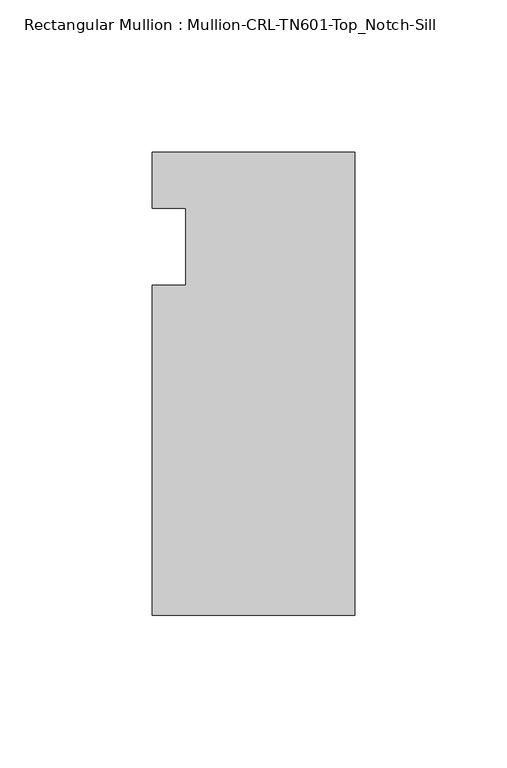
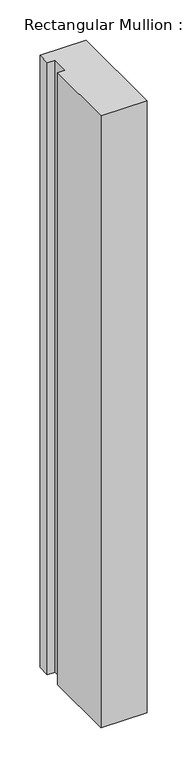
"""IFC4 building model written with IfcOpenShell, lengths in millimetres: member geometry, Rectangular Mullion : Mullion-CRL-TN601-Top_Notch-Sill."""

import ifcopenshell
import ifcopenshell.guid

model = None  # the IFC model being written
_history = None  # IfcOwnerHistory: only IFC2X3 demands one
_inside = {}  # id of a spatial element -> (the spatial element, [elements in it])
_under = {}  # id of a project, library or spatial element -> (it, [spatial elements below it])
_declared = {}  # id of a project -> (the project, [libraries it declares])
_typed = {}  # id of a type object -> (the type object, [elements of that type])
_made_of = {}  # id of a material, layer set ... -> (it, [elements and type objects made of it])


def new_model(schema):
    """Start an empty IFC model of exactly this schema.

    Asked for "IFC4X3", IfcOpenShell would pick the latest addendum, in which some entities
    have other attributes; the version numbers below select the first issue.
    IFC2X3 requires an IfcOwnerHistory on every rooted entity: one is made here for all.
    """
    global model, _history
    if schema == "IFC4X3":
        model = ifcopenshell.file(schema_version=(4, 3, 0, 0))
    else:
        model = ifcopenshell.file(schema=schema)
    _inside.clear()
    _under.clear()
    _declared.clear()
    _typed.clear()
    _made_of.clear()
    _history = None
    if model.schema == "IFC2X3":
        org = make("IfcOrganization", Name="unknown")
        user = make(
            "IfcPersonAndOrganization",
            ThePerson=make("IfcPerson", FamilyName="unknown"),
            TheOrganization=org,
        )
        app = make(
            "IfcApplication",
            ApplicationDeveloper=org,
            Version="unknown",
            ApplicationFullName="unknown",
            ApplicationIdentifier="unknown",
        )
        _history = make(
            "IfcOwnerHistory",
            OwningUser=user,
            OwningApplication=app,
            ChangeAction="ADDED",
            CreationDate=0,
        )
    return model


def make(cls, **values):
    """One entity of the class cls with the attributes given. An attribute that is None is left unset."""
    return model.create_entity(
        cls, **{name: value for name, value in values.items() if value is not None}
    )


def rooted(cls, **values):
    """An entity with a GlobalId (a new one), such as an element, a storey or a relation."""
    return make(cls, GlobalId=ifcopenshell.guid.new(), OwnerHistory=_history, **values)


def si_unit(unit_type, name, prefix=None):
    """IfcSIUnit, for example si_unit("LENGTHUNIT", "METRE", prefix="MILLI")."""
    return make("IfcSIUnit", UnitType=unit_type, Prefix=prefix, Name=name)


def assignment(units):
    """IfcUnitAssignment: the units of a project."""
    return None if units is None else make("IfcUnitAssignment", Units=units)


def point(xyz):
    """IfcCartesianPoint."""
    return None if xyz is None else make("IfcCartesianPoint", Coordinates=xyz)


def direction(xyz):
    """IfcDirection."""
    return None if xyz is None else make("IfcDirection", DirectionRatios=xyz)


def frame(location, z_axis=None, x_axis=None):
    """IfcAxis2Placement3D, a coordinate frame: its origin and axes. An axis left out is left unset."""
    return make(
        "IfcAxis2Placement3D",
        Location=point(location),
        Axis=direction(z_axis),
        RefDirection=direction(x_axis),
    )


def origin():
    """The frame at (0, 0, 0) with its axes left unset."""
    return frame((0.0, 0.0, 0.0))


def place(relative_to, where):
    """IfcLocalPlacement: puts the frame where relative to a parent placement (None: the world)."""
    return make(
        "IfcLocalPlacement", PlacementRelTo=relative_to, RelativePlacement=where
    )


def context(
    kind, dimensions, precision=None, world=None, true_north=None, identifier=None
):
    """IfcGeometricRepresentationContext, for example the 3D "Model" context."""
    return make(
        "IfcGeometricRepresentationContext",
        ContextIdentifier=identifier,
        ContextType=kind,
        CoordinateSpaceDimension=dimensions,
        Precision=precision,
        WorldCoordinateSystem=world,
        TrueNorth=true_north,
    )


def project(units=None, contexts=None):
    """IfcProject with its units and contexts."""
    return rooted(
        "IfcProject",
        Name="project",
        RepresentationContexts=contexts,
        UnitsInContext=assignment(units),
    )


def spatial(cls, under=None, at=None, **own):
    """A site, building, storey or space (cls), placed at a placement, below another one or the project."""
    s = rooted(cls, ObjectPlacement=at, **own)
    if under is not None:
        _under.setdefault(under.id(), (under, []))[1].append(s)
    return s


def polyline(points):
    """IfcPolyline through the points."""
    return make("IfcPolyline", Points=[point(p) for p in points])


def outline(outer, holes=None, kind="AREA"):
    """IfcArbitraryClosedProfileDef: a profile drawn as a closed curve; with holes, ...WithVoids."""
    if holes is None:
        return make("IfcArbitraryClosedProfileDef", ProfileType=kind, OuterCurve=outer)
    return make(
        "IfcArbitraryProfileDefWithVoids",
        ProfileType=kind,
        OuterCurve=outer,
        InnerCurves=holes,
    )


def extrude(swept, where, along, depth):
    """IfcExtrudedAreaSolid: the profile swept, set in the frame where, extruded along a direction by depth."""
    return make(
        "IfcExtrudedAreaSolid",
        SweptArea=swept,
        Position=where,
        ExtrudedDirection=direction(along),
        Depth=depth,
    )


def shape(context_of_items, identifier, shape_type, items):
    """IfcShapeRepresentation: the items that make up one representation, for example the "Body"."""
    return make(
        "IfcShapeRepresentation",
        ContextOfItems=context_of_items,
        RepresentationIdentifier=identifier,
        RepresentationType=shape_type,
        Items=items,
    )


def source(mapping_origin, context_of_items, identifier, shape_type, items):
    """IfcRepresentationMap: a shape defined once, which mapped items show again and again."""
    return make(
        "IfcRepresentationMap",
        MappingOrigin=mapping_origin,
        MappedRepresentation=shape(context_of_items, identifier, shape_type, items),
    )


def transform(
    local_origin,
    x_axis=None,
    y_axis=None,
    z_axis=None,
    scale=None,
    scale2=None,
    scale3=None,
    uniform=True,
):
    """IfcCartesianTransformationOperator3D, or its non-uniform kind. x_axis, y_axis, z_axis: its Axis1, 2, 3."""
    if uniform:
        return make(
            "IfcCartesianTransformationOperator3D",
            Axis1=direction(x_axis),
            Axis2=direction(y_axis),
            LocalOrigin=point(local_origin),
            Scale=scale,
            Axis3=direction(z_axis),
        )
    return make(
        "IfcCartesianTransformationOperator3DnonUniform",
        Axis1=direction(x_axis),
        Axis2=direction(y_axis),
        LocalOrigin=point(local_origin),
        Scale=scale,
        Axis3=direction(z_axis),
        Scale2=scale2,
        Scale3=scale3,
    )


def mapped(mapping_source, mapping_target):
    """IfcMappedItem: shows the shape of a source again, moved by a transform."""
    return make(
        "IfcMappedItem", MappingSource=mapping_source, MappingTarget=mapping_target
    )


def made_of(thing, what):
    """Note that an element or type object is made of a material, layer set ...; save() writes the relation."""
    if what is not None:
        _made_of.setdefault(what.id(), (what, []))[1].append(thing)
    return thing


def element(
    cls,
    number,
    at=None,
    inside=None,
    cuts=None,
    type_object=None,
    material=None,
    context=None,
    identifier="Body",
    shape_type=None,
    held_by="IfcProductDefinitionShape",
    body=None,
    shapes=None,
    **own,
):
    """One element of the class cls, such as IfcWall. Its Tag is "e" and its number.

    at: its placement. inside: the storey or other place that contains it. cuts: it is an
    opening in that element (IfcRelVoidsElement). A single representation is given by context,
    identifier, shape_type and body (its items); several are given by shapes. held_by: the class
    of the entity that holds the representations. save() writes the other relations.
    """
    e = rooted(cls, Tag="e%d" % number, ObjectPlacement=at, **own)
    if body is not None:
        shapes = [shape(context, identifier, shape_type, body)]
    if shapes is not None:
        e.Representation = make(held_by, Representations=shapes)
    if inside is not None:
        _inside.setdefault(inside.id(), (inside, []))[1].append(e)
    if cuts is not None:
        rooted(
            "IfcRelVoidsElement", RelatingBuildingElement=cuts, RelatedOpeningElement=e
        )
    if type_object is not None:
        _typed.setdefault(type_object.id(), (type_object, []))[1].append(e)
    return made_of(e, material)


def aggregate(whole, parts):
    """IfcRelAggregates: a whole, such as a stair, and the parts it consists of."""
    return rooted("IfcRelAggregates", RelatingObject=whole, RelatedObjects=parts)


def save(model, path):
    """Write the relations noted so far, then the file.

    IfcRelAggregates (storeys below a building ...), IfcRelContainedInSpatialStructure (elements
    in a storey), IfcRelDefinesByType, IfcRelAssociatesMaterial and IfcRelDeclares: one each for
    every whole, place, type object, material and project.
    """
    for whole, parts in _under.values():
        aggregate(whole, parts)
    for where, things in _inside.values():
        rooted(
            "IfcRelContainedInSpatialStructure",
            RelatedElements=things,
            RelatingStructure=where,
        )
    for kind, things in _typed.values():
        rooted("IfcRelDefinesByType", RelatedObjects=things, RelatingType=kind)
    for what, things in _made_of.values():
        rooted("IfcRelAssociatesMaterial", RelatedObjects=things, RelatingMaterial=what)
    for by, libraries in _declared.values():
        rooted("IfcRelDeclares", RelatingContext=by, RelatedDefinitions=libraries)
    model.write(path)


def rectangular_mullion_mullion_crl_tn601_top_notch_sill_ca86fcc1(model_context):
    return source(origin(), model_context, "Body", "SweptSolid", [
        extrude(outline(polyline([(0.0, 31.140391), (0.0, -121.259591), (-66.675, -121.259591), (-66.675, -12.7), (-55.5625, -12.7), (-55.5625, 12.7), (-66.675, 12.7), (-66.675, 31.140391), (0.0, 31.140391)])), frame((0.0, 0.0, -933.45), z_axis=(0.0, 0.0, 1.0), x_axis=(1.0, 0.0, 0.0)), (0.0, 0.0, 1.0), 933.45),
    ])


if __name__ == "__main__":
    model = new_model("IFC4")
    model_context = context("Model", 3, world=origin())
    ifc_project = project(units=[si_unit("LENGTHUNIT", "METRE", prefix="MILLI")], contexts=[model_context])
    site = spatial("IfcSite", under=ifc_project)
    building = spatial("IfcBuilding", under=site)
    placement = place(None, origin())
    rectangular_mullion_mullion_crl_tn601_top_notch_sill_shape = rectangular_mullion_mullion_crl_tn601_top_notch_sill_ca86fcc1(model_context)
    element("IfcMember", 1, ObjectType="Rectangular Mullion : Mullion-CRL-TN601-Top_Notch-Sill", at=placement, inside=building, context=model_context, shape_type="MappedRepresentation", body=[
        mapped(rectangular_mullion_mullion_crl_tn601_top_notch_sill_shape, transform((0.0, 0.0, 0.0), x_axis=(1.0, 0.0, 0.0), y_axis=(0.0, 1.0, 0.0), z_axis=(0.0, 0.0, 1.0))),
    ])
    save(model, "model.ifc")
